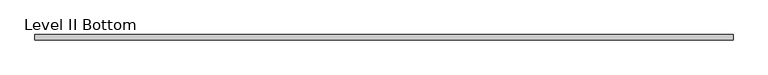
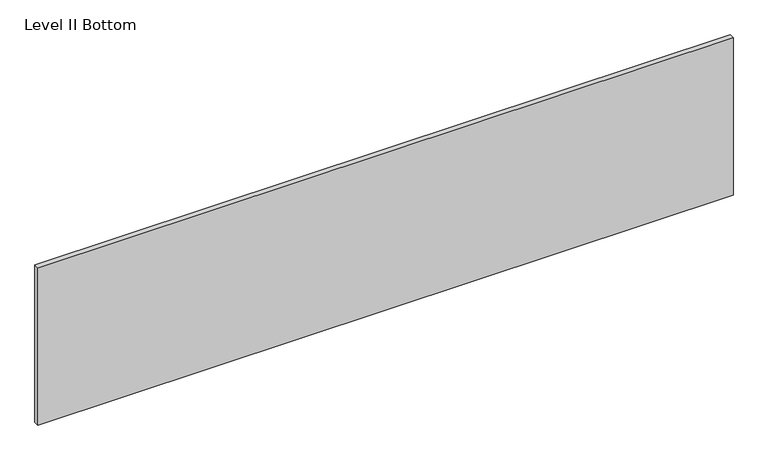
"""IFC4 building model written with IfcOpenShell, lengths in millimetres: proxy geometry, Level II Bottom."""

from ifc_helpers import new_model, si_unit, frame, origin, place, context, project, spatial, polyline, outline, extrude, source, transform, mapped, element, save


def level_ii_bottom_ba8b9d30(model_context):
    return source(origin(), model_context, "Body", "SweptSolid", [
        extrude(outline(polyline([(1259.8356344, -9.525), (-1259.8356344, -9.525), (-1259.8356344, 9.525), (1259.8356344, 9.525), (1259.8356344, -9.525)])), frame((0.0, 0.0, 3.175), z_axis=(0.0, 0.0, 1.0), x_axis=(1.0, 0.0, 0.0)), (0.0, 0.0, 1.0), 603.25),
    ])


if __name__ == "__main__":
    model = new_model("IFC4")
    model_context = context("Model", 3, world=origin())
    ifc_project = project(units=[si_unit("LENGTHUNIT", "METRE", prefix="MILLI")], contexts=[model_context])
    site = spatial("IfcSite", under=ifc_project)
    building = spatial("IfcBuilding", under=site)
    placement = place(None, origin())
    level_ii_bottom_shape = level_ii_bottom_ba8b9d30(model_context)
    element("IfcBuildingElementProxy", 1, Name="Level II Bottom", ObjectType="Level II Bottom", at=placement, inside=building, context=model_context, shape_type="MappedRepresentation", body=[
        mapped(level_ii_bottom_shape, transform((0.0, 0.0, 0.0), x_axis=(1.0, 0.0, 0.0), y_axis=(0.0, 1.0, 0.0), z_axis=(0.0, 0.0, 1.0))),
    ])
    save(model, "model.ifc")
